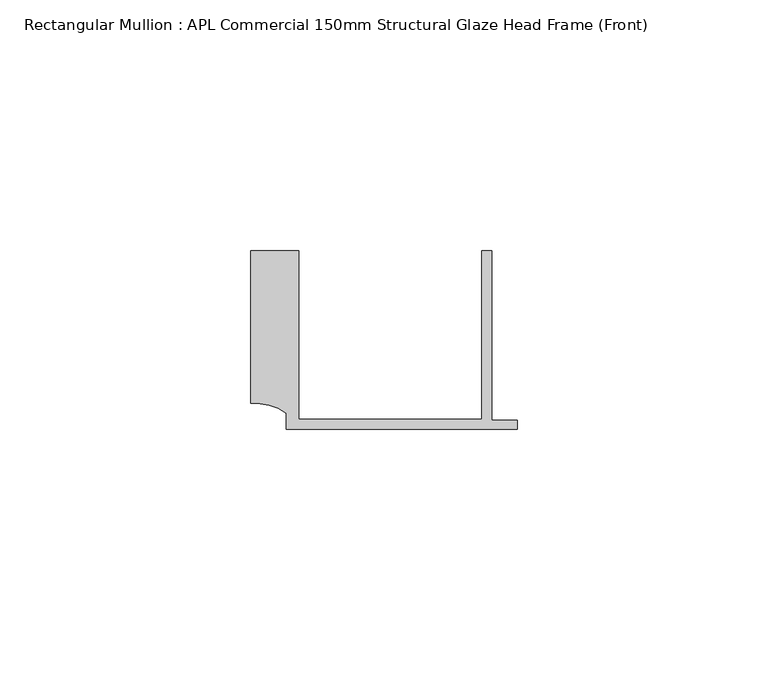
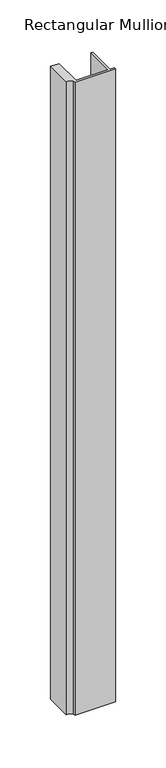
"""IFC4 building model written with IfcOpenShell, lengths in millimetres: member geometry, Rectangular Mullion : APL Commercial 150mm Structural Glaze Head Frame (Front)."""

import ifcopenshell
import ifcopenshell.guid

model = None  # the IFC model being written
_history = None  # IfcOwnerHistory: only IFC2X3 demands one
_inside = {}  # id of a spatial element -> (the spatial element, [elements in it])
_under = {}  # id of a project, library or spatial element -> (it, [spatial elements below it])
_declared = {}  # id of a project -> (the project, [libraries it declares])
_typed = {}  # id of a type object -> (the type object, [elements of that type])
_made_of = {}  # id of a material, layer set ... -> (it, [elements and type objects made of it])


def new_model(schema):
    """Start an empty IFC model of exactly this schema.

    Asked for "IFC4X3", IfcOpenShell would pick the latest addendum, in which some entities
    have other attributes; the version numbers below select the first issue.
    IFC2X3 requires an IfcOwnerHistory on every rooted entity: one is made here for all.
    """
    global model, _history
    if schema == "IFC4X3":
        model = ifcopenshell.file(schema_version=(4, 3, 0, 0))
    else:
        model = ifcopenshell.file(schema=schema)
    _inside.clear()
    _under.clear()
    _declared.clear()
    _typed.clear()
    _made_of.clear()
    _history = None
    if model.schema == "IFC2X3":
        org = make("IfcOrganization", Name="unknown")
        user = make(
            "IfcPersonAndOrganization",
            ThePerson=make("IfcPerson", FamilyName="unknown"),
            TheOrganization=org,
        )
        app = make(
            "IfcApplication",
            ApplicationDeveloper=org,
            Version="unknown",
            ApplicationFullName="unknown",
            ApplicationIdentifier="unknown",
        )
        _history = make(
            "IfcOwnerHistory",
            OwningUser=user,
            OwningApplication=app,
            ChangeAction="ADDED",
            CreationDate=0,
        )
    return model


def make(cls, **values):
    """One entity of the class cls with the attributes given. An attribute that is None is left unset."""
    return model.create_entity(
        cls, **{name: value for name, value in values.items() if value is not None}
    )


def rooted(cls, **values):
    """An entity with a GlobalId (a new one), such as an element, a storey or a relation."""
    return make(cls, GlobalId=ifcopenshell.guid.new(), OwnerHistory=_history, **values)


def si_unit(unit_type, name, prefix=None):
    """IfcSIUnit, for example si_unit("LENGTHUNIT", "METRE", prefix="MILLI")."""
    return make("IfcSIUnit", UnitType=unit_type, Prefix=prefix, Name=name)


def assignment(units):
    """IfcUnitAssignment: the units of a project."""
    return None if units is None else make("IfcUnitAssignment", Units=units)


def point(xyz):
    """IfcCartesianPoint."""
    return None if xyz is None else make("IfcCartesianPoint", Coordinates=xyz)


def direction(xyz):
    """IfcDirection."""
    return None if xyz is None else make("IfcDirection", DirectionRatios=xyz)


def frame(location, z_axis=None, x_axis=None):
    """IfcAxis2Placement3D, a coordinate frame: its origin and axes. An axis left out is left unset."""
    return make(
        "IfcAxis2Placement3D",
        Location=point(location),
        Axis=direction(z_axis),
        RefDirection=direction(x_axis),
    )


def frame_2d(location, x_axis=None):
    """IfcAxis2Placement2D, a coordinate frame in the plane: its origin and x axis."""
    return make(
        "IfcAxis2Placement2D", Location=point(location), RefDirection=direction(x_axis)
    )


def origin():
    """The frame at (0, 0, 0) with its axes left unset."""
    return frame((0.0, 0.0, 0.0))


def place(relative_to, where):
    """IfcLocalPlacement: puts the frame where relative to a parent placement (None: the world)."""
    return make(
        "IfcLocalPlacement", PlacementRelTo=relative_to, RelativePlacement=where
    )


def context(
    kind, dimensions, precision=None, world=None, true_north=None, identifier=None
):
    """IfcGeometricRepresentationContext, for example the 3D "Model" context."""
    return make(
        "IfcGeometricRepresentationContext",
        ContextIdentifier=identifier,
        ContextType=kind,
        CoordinateSpaceDimension=dimensions,
        Precision=precision,
        WorldCoordinateSystem=world,
        TrueNorth=true_north,
    )


def project(units=None, contexts=None):
    """IfcProject with its units and contexts."""
    return rooted(
        "IfcProject",
        Name="project",
        RepresentationContexts=contexts,
        UnitsInContext=assignment(units),
    )


def spatial(cls, under=None, at=None, **own):
    """A site, building, storey or space (cls), placed at a placement, below another one or the project."""
    s = rooted(cls, ObjectPlacement=at, **own)
    if under is not None:
        _under.setdefault(under.id(), (under, []))[1].append(s)
    return s


def polyline(points):
    """IfcPolyline through the points."""
    return make("IfcPolyline", Points=[point(p) for p in points])


def circle_curve(where, radius):
    """IfcCircle in the frame where."""
    return make("IfcCircle", Position=where, Radius=radius)


def trimmed(basis, trim1, trim2, sense, master):
    """IfcTrimmedCurve: the piece of a basis curve between two trims."""
    return make(
        "IfcTrimmedCurve",
        BasisCurve=basis,
        Trim1=trim1,
        Trim2=trim2,
        SenseAgreement=sense,
        MasterRepresentation=master,
    )


def segment(curve, same_sense, transition):
    """IfcCompositeCurveSegment."""
    return make(
        "IfcCompositeCurveSegment",
        Transition=transition,
        SameSense=same_sense,
        ParentCurve=curve,
    )


def composite_curve(segments, self_intersect=None):
    """IfcCompositeCurve: segments joined end to end."""
    return make("IfcCompositeCurve", Segments=segments, SelfIntersect=self_intersect)


def outline(outer, holes=None, kind="AREA"):
    """IfcArbitraryClosedProfileDef: a profile drawn as a closed curve; with holes, ...WithVoids."""
    if holes is None:
        return make("IfcArbitraryClosedProfileDef", ProfileType=kind, OuterCurve=outer)
    return make(
        "IfcArbitraryProfileDefWithVoids",
        ProfileType=kind,
        OuterCurve=outer,
        InnerCurves=holes,
    )


def extrude(swept, where, along, depth):
    """IfcExtrudedAreaSolid: the profile swept, set in the frame where, extruded along a direction by depth."""
    return make(
        "IfcExtrudedAreaSolid",
        SweptArea=swept,
        Position=where,
        ExtrudedDirection=direction(along),
        Depth=depth,
    )


def shape(context_of_items, identifier, shape_type, items):
    """IfcShapeRepresentation: the items that make up one representation, for example the "Body"."""
    return make(
        "IfcShapeRepresentation",
        ContextOfItems=context_of_items,
        RepresentationIdentifier=identifier,
        RepresentationType=shape_type,
        Items=items,
    )


def source(mapping_origin, context_of_items, identifier, shape_type, items):
    """IfcRepresentationMap: a shape defined once, which mapped items show again and again."""
    return make(
        "IfcRepresentationMap",
        MappingOrigin=mapping_origin,
        MappedRepresentation=shape(context_of_items, identifier, shape_type, items),
    )


def transform(
    local_origin,
    x_axis=None,
    y_axis=None,
    z_axis=None,
    scale=None,
    scale2=None,
    scale3=None,
    uniform=True,
):
    """IfcCartesianTransformationOperator3D, or its non-uniform kind. x_axis, y_axis, z_axis: its Axis1, 2, 3."""
    if uniform:
        return make(
            "IfcCartesianTransformationOperator3D",
            Axis1=direction(x_axis),
            Axis2=direction(y_axis),
            LocalOrigin=point(local_origin),
            Scale=scale,
            Axis3=direction(z_axis),
        )
    return make(
        "IfcCartesianTransformationOperator3DnonUniform",
        Axis1=direction(x_axis),
        Axis2=direction(y_axis),
        LocalOrigin=point(local_origin),
        Scale=scale,
        Axis3=direction(z_axis),
        Scale2=scale2,
        Scale3=scale3,
    )


def mapped(mapping_source, mapping_target):
    """IfcMappedItem: shows the shape of a source again, moved by a transform."""
    return make(
        "IfcMappedItem", MappingSource=mapping_source, MappingTarget=mapping_target
    )


def made_of(thing, what):
    """Note that an element or type object is made of a material, layer set ...; save() writes the relation."""
    if what is not None:
        _made_of.setdefault(what.id(), (what, []))[1].append(thing)
    return thing


def element(
    cls,
    number,
    at=None,
    inside=None,
    cuts=None,
    type_object=None,
    material=None,
    context=None,
    identifier="Body",
    shape_type=None,
    held_by="IfcProductDefinitionShape",
    body=None,
    shapes=None,
    **own,
):
    """One element of the class cls, such as IfcWall. Its Tag is "e" and its number.

    at: its placement. inside: the storey or other place that contains it. cuts: it is an
    opening in that element (IfcRelVoidsElement). A single representation is given by context,
    identifier, shape_type and body (its items); several are given by shapes. held_by: the class
    of the entity that holds the representations. save() writes the other relations.
    """
    e = rooted(cls, Tag="e%d" % number, ObjectPlacement=at, **own)
    if body is not None:
        shapes = [shape(context, identifier, shape_type, body)]
    if shapes is not None:
        e.Representation = make(held_by, Representations=shapes)
    if inside is not None:
        _inside.setdefault(inside.id(), (inside, []))[1].append(e)
    if cuts is not None:
        rooted(
            "IfcRelVoidsElement", RelatingBuildingElement=cuts, RelatedOpeningElement=e
        )
    if type_object is not None:
        _typed.setdefault(type_object.id(), (type_object, []))[1].append(e)
    return made_of(e, material)


def aggregate(whole, parts):
    """IfcRelAggregates: a whole, such as a stair, and the parts it consists of."""
    return rooted("IfcRelAggregates", RelatingObject=whole, RelatedObjects=parts)


def save(model, path):
    """Write the relations noted so far, then the file.

    IfcRelAggregates (storeys below a building ...), IfcRelContainedInSpatialStructure (elements
    in a storey), IfcRelDefinesByType, IfcRelAssociatesMaterial and IfcRelDeclares: one each for
    every whole, place, type object, material and project.
    """
    for whole, parts in _under.values():
        aggregate(whole, parts)
    for where, things in _inside.values():
        rooted(
            "IfcRelContainedInSpatialStructure",
            RelatedElements=things,
            RelatingStructure=where,
        )
    for kind, things in _typed.values():
        rooted("IfcRelDefinesByType", RelatedObjects=things, RelatingType=kind)
    for what, things in _made_of.values():
        rooted("IfcRelAssociatesMaterial", RelatedObjects=things, RelatingMaterial=what)
    for by, libraries in _declared.values():
        rooted("IfcRelDeclares", RelatingContext=by, RelatedDefinitions=libraries)
    model.write(path)


def rectangular_mullion_apl_commercial_150mm_structural_glaze_999ae5f3(model_context):
    return source(origin(), model_context, "Body", "SweptSolid", [
        extrude(outline(composite_curve([segment(polyline([(-52.9999542, 15.0), (-43.5000151, 15.0), (-43.5000151, -18.5002486), (-7.0, -18.5002486), (-7.0, 15.0), (-5.0, 15.0), (-5.0, -18.7002486), (0.0, -18.7002486), (0.0, -20.5002486), (-45.9999994, -20.5002486), (-45.9999994, -17.3126154)]), True, "CONTINUOUS"), segment(trimmed(circle_curve(frame_2d((-52.109817, -25.7982641)), 10.4563907), [point((-45.9999994, -17.3126154))], [point((-52.9999542, -15.3798304))], True, "CARTESIAN"), True, "CONTINUOUS"), segment(polyline([(-52.9999542, -15.3798304), (-52.9999542, 15.0)]), True, "CONTINUOUS")], self_intersect=False)), frame((0.0, 0.0, -760.0485946), z_axis=(0.0, 0.0, 1.0), x_axis=(1.0, 0.0, 0.0)), (0.0, 0.0, 1.0), 760.0485946),
    ])


if __name__ == "__main__":
    model = new_model("IFC4")
    model_context = context("Model", 3, world=origin())
    ifc_project = project(units=[si_unit("LENGTHUNIT", "METRE", prefix="MILLI")], contexts=[model_context])
    site = spatial("IfcSite", under=ifc_project)
    building = spatial("IfcBuilding", under=site)
    placement = place(None, origin())
    rectangular_mullion_apl_commercial_150mm_structural_glaze_shape = rectangular_mullion_apl_commercial_150mm_structural_glaze_999ae5f3(model_context)
    element("IfcMember", 1, ObjectType="Rectangular Mullion : APL Commercial 150mm Structural Glaze Head Frame (Front)", at=placement, inside=building, context=model_context, shape_type="MappedRepresentation", body=[
        mapped(rectangular_mullion_apl_commercial_150mm_structural_glaze_shape, transform((0.0, 0.0, 0.0), x_axis=(1.0, 0.0, 0.0), y_axis=(0.0, 1.0, 0.0), z_axis=(0.0, 0.0, 1.0))),
    ])
    save(model, "model.ifc")
